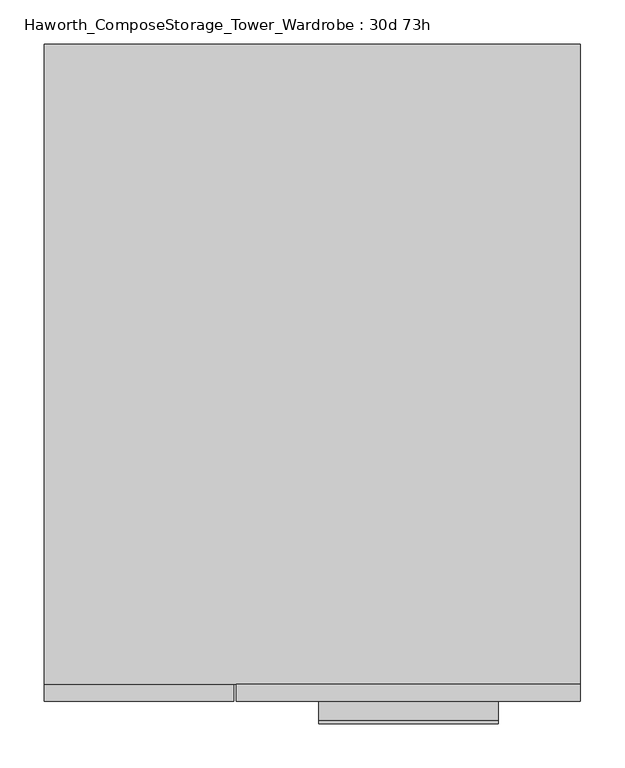
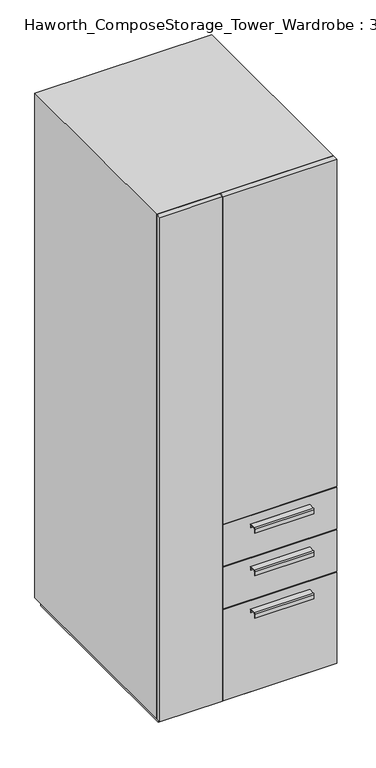
"""IFC4 building model written with IfcOpenShell, lengths in millimetres: furniture geometry, Haworth_ComposeStorage_Tower_Wardrobe : 30d 73h."""

from ifc_helpers import new_model, si_unit, point, frame, frame_2d, origin, origin_with_axes, place, context, project, spatial, polyline, circle_curve, trimmed, segment, composite_curve, outline, extrude, faceted_brep, source, transform, mapped, element, save


def haworth_composestorage_tower_wardrobe_30d_73h_e42ad3ba(model_context):
    return source(origin(), model_context, "Body", "SolidModel", [
        extrude(outline(composite_curve([segment(polyline([(-403.2250242, 633.9919215), (-381.0, 633.9919215), (-381.0, 620.5299525), (-381.7937742, 620.5299525), (-381.7937742, 633.1982199), (-403.2250242, 633.1982199)]), True, "CONTINUOUS"), segment(trimmed(circle_curve(frame_2d((-403.2250242, 630.8142808)), 2.3839392), [point((-403.2250242, 633.1982199))], [point((-405.6089634, 630.8142808))], True, "CARTESIAN"), True, "CONTINUOUS"), segment(polyline([(-405.6089634, 630.8142808), (-405.6089634, 616.2119021), (-406.3999758, 616.2119021), (-406.3999758, 630.8169699)]), True, "CONTINUOUS"), segment(trimmed(circle_curve(frame_2d((-403.2250242, 630.8169699)), 3.1749516), [point((-406.3999758, 630.8169699))], [point((-403.2250242, 633.9919215))], False, "CARTESIAN"), True, "CONTINUOUS")], self_intersect=False)), frame((7.1576406, 0.0, 0.0), z_axis=(1.0, 0.0, 0.0), x_axis=(0.0, 1.0, 0.0)), (0.0, 0.0, 1.0), 203.2),
        extrude(outline(polyline([(303.2263906, -361.95), (303.2263906, -381.0), (-85.7111094, -381.0), (-85.7111094, -361.95), (303.2263906, -361.95)])), frame((0.0, 0.0, 512.7625), z_axis=(0.0, 0.0, 1.0), x_axis=(1.0, 0.0, 0.0)), (0.0, 0.0, 1.0), 150.8125),
        extrude(outline(composite_curve([segment(polyline([(-403.2250242, 480.0044215), (-381.0, 480.0044215), (-381.0, 466.5424525), (-381.7937742, 466.5424525), (-381.7937742, 479.2107199), (-403.2250242, 479.2107199)]), True, "CONTINUOUS"), segment(trimmed(circle_curve(frame_2d((-403.2250242, 476.8267808)), 2.3839392), [point((-403.2250242, 479.2107199))], [point((-405.6089634, 476.8267808))], True, "CARTESIAN"), True, "CONTINUOUS"), segment(polyline([(-405.6089634, 476.8267808), (-405.6089634, 462.2244021), (-406.3999758, 462.2244021), (-406.3999758, 476.8294699)]), True, "CONTINUOUS"), segment(trimmed(circle_curve(frame_2d((-403.2250242, 476.8294699)), 3.1749516), [point((-406.3999758, 476.8294699))], [point((-403.2250242, 480.0044215))], False, "CARTESIAN"), True, "CONTINUOUS")], self_intersect=False)), frame((7.1576406, 0.0, 0.0), z_axis=(1.0, 0.0, 0.0), x_axis=(0.0, 1.0, 0.0)), (0.0, 0.0, 1.0), 203.2),
        extrude(outline(polyline([(303.2263906, -361.95), (303.2263906, -381.0), (-85.7111094, -381.0), (-85.7111094, -361.95), (303.2263906, -361.95)])), frame((0.0, 0.0, 358.775), z_axis=(0.0, 0.0, 1.0), x_axis=(1.0, 0.0, 0.0)), (0.0, 0.0, 1.0), 150.8125),
        extrude(outline(composite_curve([segment(polyline([(-403.2250242, 326.0169215), (-381.0, 326.0169215), (-381.0, 312.5549525), (-381.7937742, 312.5549525), (-381.7937742, 325.2232199), (-403.2250242, 325.2232199)]), True, "CONTINUOUS"), segment(trimmed(circle_curve(frame_2d((-403.2250242, 322.8392808)), 2.3839392), [point((-403.2250242, 325.2232199))], [point((-405.6089634, 322.8392808))], True, "CARTESIAN"), True, "CONTINUOUS"), segment(polyline([(-405.6089634, 322.8392808), (-405.6089634, 308.2369021), (-406.3999758, 308.2369021), (-406.3999758, 322.8419699)]), True, "CONTINUOUS"), segment(trimmed(circle_curve(frame_2d((-403.2250242, 322.8419699)), 3.1749516), [point((-406.3999758, 322.8419699))], [point((-403.2250242, 326.0169215))], False, "CARTESIAN"), True, "CONTINUOUS")], self_intersect=False)), frame((7.1576406, 0.0, 0.0), z_axis=(1.0, 0.0, 0.0), x_axis=(0.0, 1.0, 0.0)), (0.0, 0.0, 1.0), 203.2),
        extrude(outline(polyline([(303.2263906, -361.95), (303.2263906, -381.0), (-85.7111094, -381.0), (-85.7111094, -361.95), (303.2263906, -361.95)])), frame((0.0, 0.0, 25.4), z_axis=(0.0, 0.0, 1.0), x_axis=(1.0, 0.0, 0.0)), (0.0, 0.0, 1.0), 330.2),
        extrude(outline(polyline([(303.2263906, -361.95), (303.2263906, -381.0), (-85.7111094, -381.0), (-85.7111094, -361.95), (303.2263906, -361.95)])), frame((0.0, 0.0, 666.75), z_axis=(0.0, 0.0, 1.0), x_axis=(1.0, 0.0, 0.0)), (0.0, 0.0, 1.0), 1187.45),
        faceted_brep([(-303.1986094, -361.95, 25.4), (303.2263906, -361.95, 25.4), (303.2263906, -361.95, 1854.2), (-303.1986094, -361.95, 1854.2), (-284.1486094, -361.95, 44.45), (-284.1486094, -361.95, 1835.15), (284.1694453, -361.95, 1835.15), (284.1694453, -361.95, 44.45), (-303.1986094, 361.95, 25.4), (-303.1986094, 361.95, 1854.2), (303.2263906, 361.95, 1854.2), (303.2263906, 361.95, 25.4), (-284.1486094, 342.9, 44.45), (-284.1486094, 342.9, 1835.15), (284.1694453, 342.9, 1835.15), (284.1694453, 342.9, 44.45)], [[[0, 1, 2, 3], [4, 5, 6, 7]], [[8, 9, 10, 11]], [[1, 0, 8, 11]], [[2, 1, 11, 10]], [[3, 2, 10, 9]], [[0, 3, 9, 8]], [[5, 4, 12, 13]], [[6, 5, 13, 14]], [[7, 6, 14, 15]], [[4, 7, 15, 12]], [[13, 12, 15, 14]]]),
        extrude(outline(polyline([(290.5263906, -349.25), (-290.4986094, -349.25), (-290.4986094, 349.25), (290.5263906, 349.25), (290.5263906, -349.25)])), origin_with_axes(), (0.0, 0.0, 1.0), 25.4),
        extrude(outline(polyline([(-303.1986094, -381.0), (-303.1986094, -361.95), (-88.8861094, -361.95), (-88.8861094, -381.0), (-303.1986094, -381.0)])), frame((0.0, 0.0, 25.4), z_axis=(0.0, 0.0, 1.0), x_axis=(1.0, 0.0, 0.0)), (0.0, 0.0, 1.0), 1828.8),
    ])


if __name__ == "__main__":
    model = new_model("IFC4")
    model_context = context("Model", 3, world=origin())
    ifc_project = project(units=[si_unit("LENGTHUNIT", "METRE", prefix="MILLI")], contexts=[model_context])
    site = spatial("IfcSite", under=ifc_project)
    building = spatial("IfcBuilding", under=site)
    placement = place(None, origin())
    haworth_composestorage_tower_wardrobe_30d_73h_shape = haworth_composestorage_tower_wardrobe_30d_73h_e42ad3ba(model_context)
    element("IfcFurniture", 1, ObjectType="Haworth_ComposeStorage_Tower_Wardrobe : 30d 73h", at=placement, inside=building, context=model_context, shape_type="MappedRepresentation", body=[
        mapped(haworth_composestorage_tower_wardrobe_30d_73h_shape, transform((0.0, 0.0, 0.0), x_axis=(1.0, 0.0, 0.0), y_axis=(0.0, 1.0, 0.0), z_axis=(0.0, 0.0, 1.0))),
    ])
    save(model, "model.ifc")
